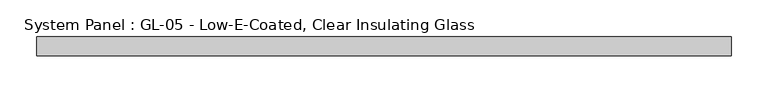
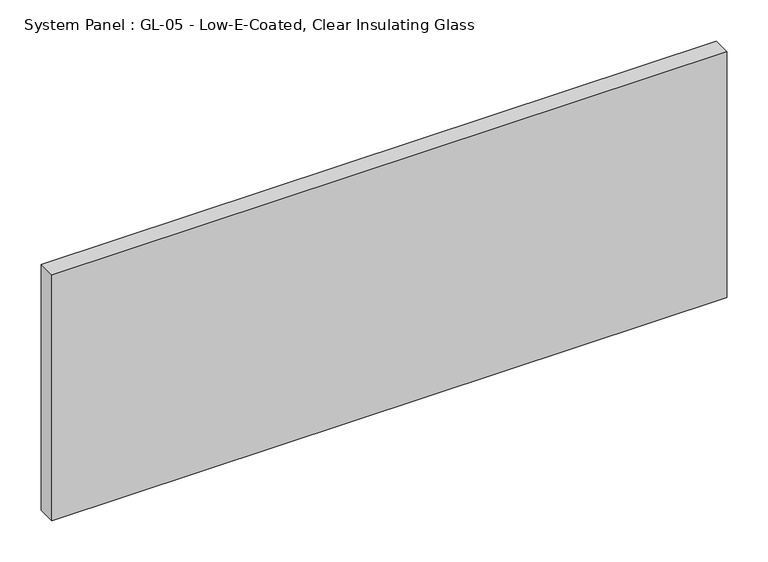
"""IFC4 building model written with IfcOpenShell, lengths in millimetres: plate geometry, System Panel : GL-05 - Low-E-Coated, Clear Insulating Glass."""

from ifc_helpers import new_model, si_unit, origin, origin_with_axes, place, context, project, spatial, polyline, outline, extrude, source, transform, mapped, element, save


def system_panel_gl_05_low_e_coated_clear_insulating_glass_59426950(model_context):
    return source(origin(), model_context, "Body", "SweptSolid", [
        extrude(outline(polyline([(469.9, -12.7), (-469.9, -12.7), (-469.9, 12.7), (469.9, 12.7), (469.9, -12.7)])), origin_with_axes(), (0.0, 0.0, 1.0), 361.95),
    ])


if __name__ == "__main__":
    model = new_model("IFC4")
    model_context = context("Model", 3, world=origin())
    ifc_project = project(units=[si_unit("LENGTHUNIT", "METRE", prefix="MILLI")], contexts=[model_context])
    site = spatial("IfcSite", under=ifc_project)
    building = spatial("IfcBuilding", under=site)
    placement = place(None, origin())
    system_panel_gl_05_low_e_coated_clear_insulating_glass_shape = system_panel_gl_05_low_e_coated_clear_insulating_glass_59426950(model_context)
    element("IfcPlate", 1, ObjectType="System Panel : GL-05 - Low-E-Coated, Clear Insulating Glass", at=placement, inside=building, context=model_context, shape_type="MappedRepresentation", body=[
        mapped(system_panel_gl_05_low_e_coated_clear_insulating_glass_shape, transform((0.0, 0.0, 0.0), x_axis=(1.0, 0.0, 0.0), y_axis=(0.0, 1.0, 0.0), z_axis=(0.0, 0.0, 1.0))),
    ])
    save(model, "model.ifc")
